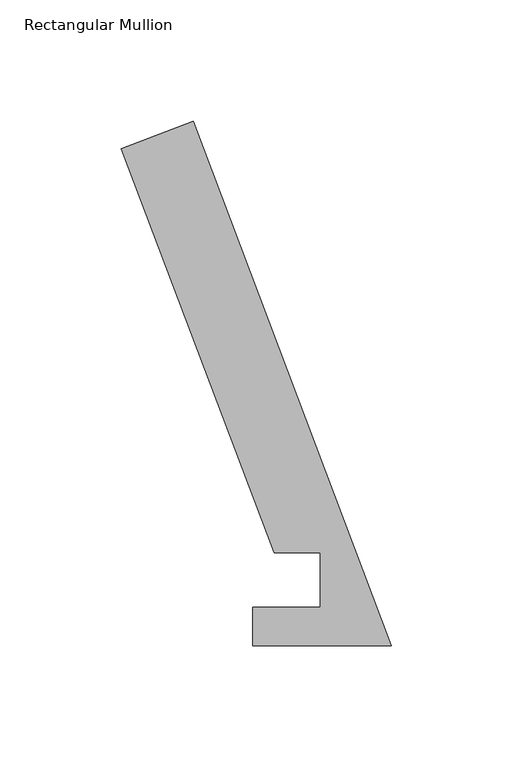
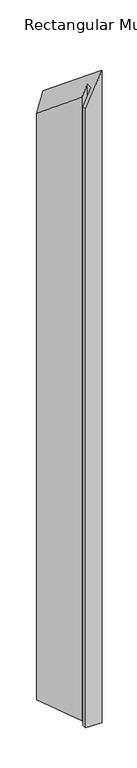
"""IFC4 building model written with IfcOpenShell, lengths in millimetres: member geometry, Rectangular Mullion."""

import ifcopenshell
import ifcopenshell.guid

model = None  # the IFC model being written
_history = None  # IfcOwnerHistory: only IFC2X3 demands one
_inside = {}  # id of a spatial element -> (the spatial element, [elements in it])
_under = {}  # id of a project, library or spatial element -> (it, [spatial elements below it])
_declared = {}  # id of a project -> (the project, [libraries it declares])
_typed = {}  # id of a type object -> (the type object, [elements of that type])
_made_of = {}  # id of a material, layer set ... -> (it, [elements and type objects made of it])


def new_model(schema):
    """Start an empty IFC model of exactly this schema.

    Asked for "IFC4X3", IfcOpenShell would pick the latest addendum, in which some entities
    have other attributes; the version numbers below select the first issue.
    IFC2X3 requires an IfcOwnerHistory on every rooted entity: one is made here for all.
    """
    global model, _history
    if schema == "IFC4X3":
        model = ifcopenshell.file(schema_version=(4, 3, 0, 0))
    else:
        model = ifcopenshell.file(schema=schema)
    _inside.clear()
    _under.clear()
    _declared.clear()
    _typed.clear()
    _made_of.clear()
    _history = None
    if model.schema == "IFC2X3":
        org = make("IfcOrganization", Name="unknown")
        user = make(
            "IfcPersonAndOrganization",
            ThePerson=make("IfcPerson", FamilyName="unknown"),
            TheOrganization=org,
        )
        app = make(
            "IfcApplication",
            ApplicationDeveloper=org,
            Version="unknown",
            ApplicationFullName="unknown",
            ApplicationIdentifier="unknown",
        )
        _history = make(
            "IfcOwnerHistory",
            OwningUser=user,
            OwningApplication=app,
            ChangeAction="ADDED",
            CreationDate=0,
        )
    return model


def make(cls, **values):
    """One entity of the class cls with the attributes given. An attribute that is None is left unset."""
    return model.create_entity(
        cls, **{name: value for name, value in values.items() if value is not None}
    )


def rooted(cls, **values):
    """An entity with a GlobalId (a new one), such as an element, a storey or a relation."""
    return make(cls, GlobalId=ifcopenshell.guid.new(), OwnerHistory=_history, **values)


def si_unit(unit_type, name, prefix=None):
    """IfcSIUnit, for example si_unit("LENGTHUNIT", "METRE", prefix="MILLI")."""
    return make("IfcSIUnit", UnitType=unit_type, Prefix=prefix, Name=name)


def assignment(units):
    """IfcUnitAssignment: the units of a project."""
    return None if units is None else make("IfcUnitAssignment", Units=units)


def point(xyz):
    """IfcCartesianPoint."""
    return None if xyz is None else make("IfcCartesianPoint", Coordinates=xyz)


def direction(xyz):
    """IfcDirection."""
    return None if xyz is None else make("IfcDirection", DirectionRatios=xyz)


def frame(location, z_axis=None, x_axis=None):
    """IfcAxis2Placement3D, a coordinate frame: its origin and axes. An axis left out is left unset."""
    return make(
        "IfcAxis2Placement3D",
        Location=point(location),
        Axis=direction(z_axis),
        RefDirection=direction(x_axis),
    )


def origin():
    """The frame at (0, 0, 0) with its axes left unset."""
    return frame((0.0, 0.0, 0.0))


def place(relative_to, where):
    """IfcLocalPlacement: puts the frame where relative to a parent placement (None: the world)."""
    return make(
        "IfcLocalPlacement", PlacementRelTo=relative_to, RelativePlacement=where
    )


def context(
    kind, dimensions, precision=None, world=None, true_north=None, identifier=None
):
    """IfcGeometricRepresentationContext, for example the 3D "Model" context."""
    return make(
        "IfcGeometricRepresentationContext",
        ContextIdentifier=identifier,
        ContextType=kind,
        CoordinateSpaceDimension=dimensions,
        Precision=precision,
        WorldCoordinateSystem=world,
        TrueNorth=true_north,
    )


def project(units=None, contexts=None):
    """IfcProject with its units and contexts."""
    return rooted(
        "IfcProject",
        Name="project",
        RepresentationContexts=contexts,
        UnitsInContext=assignment(units),
    )


def spatial(cls, under=None, at=None, **own):
    """A site, building, storey or space (cls), placed at a placement, below another one or the project."""
    s = rooted(cls, ObjectPlacement=at, **own)
    if under is not None:
        _under.setdefault(under.id(), (under, []))[1].append(s)
    return s


def faces_of(points, faces, orient=None, outer=None):
    """IfcFace entities. A face is a list of loops; a loop is a list of indices into points, from 0.

    orient and outer hold one flag for each loop. By default every Orientation is true, the
    first loop of a face is its IfcFaceOuterBound and the others are IfcFaceBound.
    """
    made = []
    for i, loops in enumerate(faces):
        bounds = []
        for j, loop in enumerate(loops):
            is_outer = j == 0 if outer is None else outer[i][j]
            bounds.append(
                make(
                    "IfcFaceOuterBound" if is_outer else "IfcFaceBound",
                    Bound=make("IfcPolyLoop", Polygon=[points[k] for k in loop]),
                    Orientation=True if orient is None else orient[i][j],
                )
            )
        made.append(make("IfcFace", Bounds=bounds))
    return made


def faceted_brep(points, faces, orient=None, outer=None, voids=None):
    """IfcFacetedBrep: a solid bounded by flat faces; with voids (closed shells), ...WithVoids."""
    shared = [point(p) for p in points]
    hull = make("IfcClosedShell", CfsFaces=faces_of(shared, faces, orient, outer))
    if voids is None:
        return make("IfcFacetedBrep", Outer=hull)
    return make(
        "IfcFacetedBrepWithVoids",
        Outer=hull,
        Voids=[
            make(cls, CfsFaces=faces_of(shared, fs, o, b)) for cls, fs, o, b in voids
        ],
    )


def shape(context_of_items, identifier, shape_type, items):
    """IfcShapeRepresentation: the items that make up one representation, for example the "Body"."""
    return make(
        "IfcShapeRepresentation",
        ContextOfItems=context_of_items,
        RepresentationIdentifier=identifier,
        RepresentationType=shape_type,
        Items=items,
    )


def source(mapping_origin, context_of_items, identifier, shape_type, items):
    """IfcRepresentationMap: a shape defined once, which mapped items show again and again."""
    return make(
        "IfcRepresentationMap",
        MappingOrigin=mapping_origin,
        MappedRepresentation=shape(context_of_items, identifier, shape_type, items),
    )


def transform(
    local_origin,
    x_axis=None,
    y_axis=None,
    z_axis=None,
    scale=None,
    scale2=None,
    scale3=None,
    uniform=True,
):
    """IfcCartesianTransformationOperator3D, or its non-uniform kind. x_axis, y_axis, z_axis: its Axis1, 2, 3."""
    if uniform:
        return make(
            "IfcCartesianTransformationOperator3D",
            Axis1=direction(x_axis),
            Axis2=direction(y_axis),
            LocalOrigin=point(local_origin),
            Scale=scale,
            Axis3=direction(z_axis),
        )
    return make(
        "IfcCartesianTransformationOperator3DnonUniform",
        Axis1=direction(x_axis),
        Axis2=direction(y_axis),
        LocalOrigin=point(local_origin),
        Scale=scale,
        Axis3=direction(z_axis),
        Scale2=scale2,
        Scale3=scale3,
    )


def mapped(mapping_source, mapping_target):
    """IfcMappedItem: shows the shape of a source again, moved by a transform."""
    return make(
        "IfcMappedItem", MappingSource=mapping_source, MappingTarget=mapping_target
    )


def made_of(thing, what):
    """Note that an element or type object is made of a material, layer set ...; save() writes the relation."""
    if what is not None:
        _made_of.setdefault(what.id(), (what, []))[1].append(thing)
    return thing


def element(
    cls,
    number,
    at=None,
    inside=None,
    cuts=None,
    type_object=None,
    material=None,
    context=None,
    identifier="Body",
    shape_type=None,
    held_by="IfcProductDefinitionShape",
    body=None,
    shapes=None,
    **own,
):
    """One element of the class cls, such as IfcWall. Its Tag is "e" and its number.

    at: its placement. inside: the storey or other place that contains it. cuts: it is an
    opening in that element (IfcRelVoidsElement). A single representation is given by context,
    identifier, shape_type and body (its items); several are given by shapes. held_by: the class
    of the entity that holds the representations. save() writes the other relations.
    """
    e = rooted(cls, Tag="e%d" % number, ObjectPlacement=at, **own)
    if body is not None:
        shapes = [shape(context, identifier, shape_type, body)]
    if shapes is not None:
        e.Representation = make(held_by, Representations=shapes)
    if inside is not None:
        _inside.setdefault(inside.id(), (inside, []))[1].append(e)
    if cuts is not None:
        rooted(
            "IfcRelVoidsElement", RelatingBuildingElement=cuts, RelatedOpeningElement=e
        )
    if type_object is not None:
        _typed.setdefault(type_object.id(), (type_object, []))[1].append(e)
    return made_of(e, material)


def aggregate(whole, parts):
    """IfcRelAggregates: a whole, such as a stair, and the parts it consists of."""
    return rooted("IfcRelAggregates", RelatingObject=whole, RelatedObjects=parts)


def save(model, path):
    """Write the relations noted so far, then the file.

    IfcRelAggregates (storeys below a building ...), IfcRelContainedInSpatialStructure (elements
    in a storey), IfcRelDefinesByType, IfcRelAssociatesMaterial and IfcRelDeclares: one each for
    every whole, place, type object, material and project.
    """
    for whole, parts in _under.values():
        aggregate(whole, parts)
    for where, things in _inside.values():
        rooted(
            "IfcRelContainedInSpatialStructure",
            RelatedElements=things,
            RelatingStructure=where,
        )
    for kind, things in _typed.values():
        rooted("IfcRelDefinesByType", RelatedObjects=things, RelatingType=kind)
    for what, things in _made_of.values():
        rooted("IfcRelAssociatesMaterial", RelatedObjects=things, RelatingMaterial=what)
    for by, libraries in _declared.values():
        rooted("IfcRelDeclares", RelatingContext=by, RelatedDefinitions=libraries)
    model.write(path)


def rectangular_mullion_31611d32(model_context):
    return source(origin(), model_context, "Body", "Brep", [
        faceted_brep([(-48.4216661, 38.2984375, -105.9902362), (-111.4156088, 205.0070695, -243.8777441), (-111.4156088, 205.0070695, -2419.2749988), (-48.4216661, 38.2984375, -2419.2749988), (-29.3735907, 38.2984375, -64.2958838), (-29.3735907, 38.2984375, -2419.2749988), (-29.3735907, 15.8114626, -64.2958838), (-29.3735907, 15.8114626, -2419.2749988), (-57.277, 15.8114626, -125.373686), (-57.277, 15.8114626, -2419.2749988), (-57.277, -0.0635374, -125.373686), (-57.277, -0.0635374, -2419.2749988), (0.0, -0.0635374, 0.0), (0.0, -0.0635374, -2419.2749988), (-81.7285764, 216.2248642, -178.8957675), (-81.7285764, 216.2248642, -2419.2749988)], [[[0, 1, 2, 3]], [[4, 0, 3, 5]], [[6, 4, 5, 7]], [[8, 6, 7, 9]], [[10, 8, 9, 11]], [[12, 10, 11, 13]], [[14, 12, 13, 15]], [[1, 14, 15, 2]], [[1, 0, 4, 6, 8, 10, 12, 14]], [[2, 15, 13, 11, 9, 7, 5, 3]]]),
    ])


if __name__ == "__main__":
    model = new_model("IFC4")
    model_context = context("Model", 3, world=origin())
    ifc_project = project(units=[si_unit("LENGTHUNIT", "METRE", prefix="MILLI")], contexts=[model_context])
    site = spatial("IfcSite", under=ifc_project)
    building = spatial("IfcBuilding", under=site)
    placement = place(None, origin())
    rectangular_mullion_shape = rectangular_mullion_31611d32(model_context)
    element("IfcMember", 1, ObjectType="Rectangular Mullion", at=placement, inside=building, context=model_context, shape_type="MappedRepresentation", body=[
        mapped(rectangular_mullion_shape, transform((0.0, 0.0, 0.0), x_axis=(1.0, 0.0, 0.0), y_axis=(0.0, 1.0, 0.0), z_axis=(0.0, 0.0, 1.0))),
    ])
    save(model, "model.ifc")
